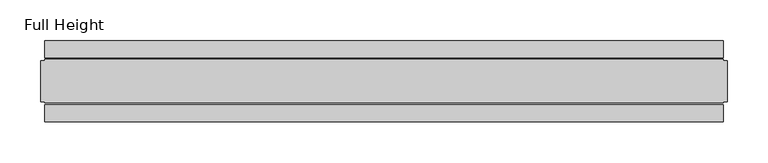
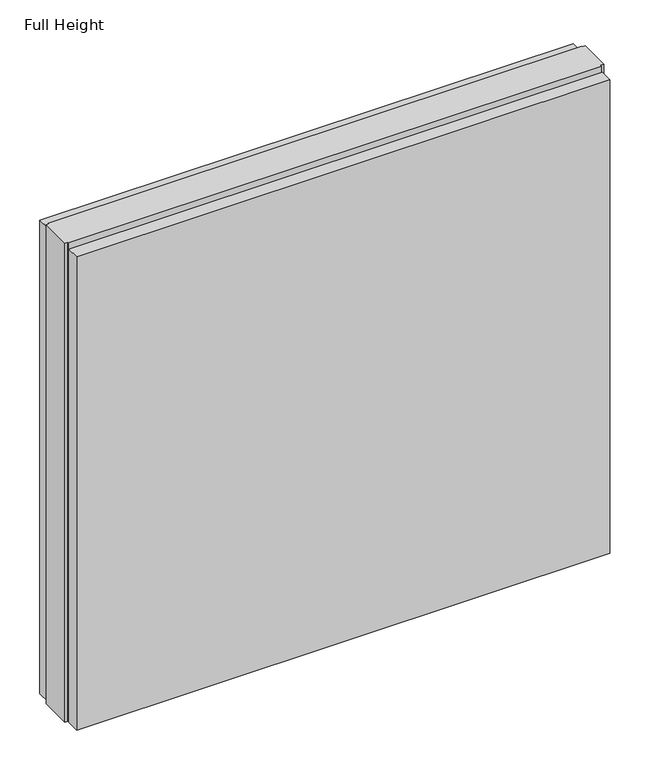
"""IFC4 building model written with IfcOpenShell, lengths in millimetres: plate geometry, Full Height."""

from ifc_helpers import new_model, si_unit, origin, origin_with_axes, place, context, project, spatial, polyline, outline, extrude, source, transform, mapped, element, save


def full_height_7b9e8882(model_context):
    return source(origin(), model_context, "Body", "SweptSolid", [
        extrude(outline(polyline([(415.9817685, -28.956), (415.9817685, -49.53), (-415.9817685, -49.53), (-415.9817685, -28.956), (415.9817685, -28.956)])), origin_with_axes(), (0.0, 0.0, 1.0), 780.796),
        extrude(outline(polyline([(415.9817685, 28.956), (-415.9817685, 28.956), (-415.9817685, 49.53), (415.9817685, 49.53), (415.9817685, 28.956)])), origin_with_axes(), (0.0, 0.0, 1.0), 780.796),
        extrude(outline(polyline([(415.9817685, 25.146), (420.5537685, 25.146), (420.5537685, -25.146), (415.9817685, -25.146), (415.9817685, -26.67), (-415.9817685, -26.67), (-415.9817685, -25.146), (-420.5537685, -25.146), (-420.5537685, 25.146), (-415.9817685, 25.146), (-415.9817685, 26.67), (415.9817685, 26.67), (415.9817685, 25.146)])), origin_with_axes(), (0.0, 0.0, 1.0), 789.94),
    ])


if __name__ == "__main__":
    model = new_model("IFC4")
    model_context = context("Model", 3, world=origin())
    ifc_project = project(units=[si_unit("LENGTHUNIT", "METRE", prefix="MILLI")], contexts=[model_context])
    site = spatial("IfcSite", under=ifc_project)
    building = spatial("IfcBuilding", under=site)
    placement = place(None, origin())
    full_height_shape = full_height_7b9e8882(model_context)
    element("IfcPlate", 1, ObjectType="Full Height", at=placement, inside=building, context=model_context, shape_type="MappedRepresentation", body=[
        mapped(full_height_shape, transform((0.0, 0.0, 0.0), x_axis=(1.0, 0.0, 0.0), y_axis=(0.0, 1.0, 0.0), z_axis=(0.0, 0.0, 1.0))),
    ])
    save(model, "model.ifc")
